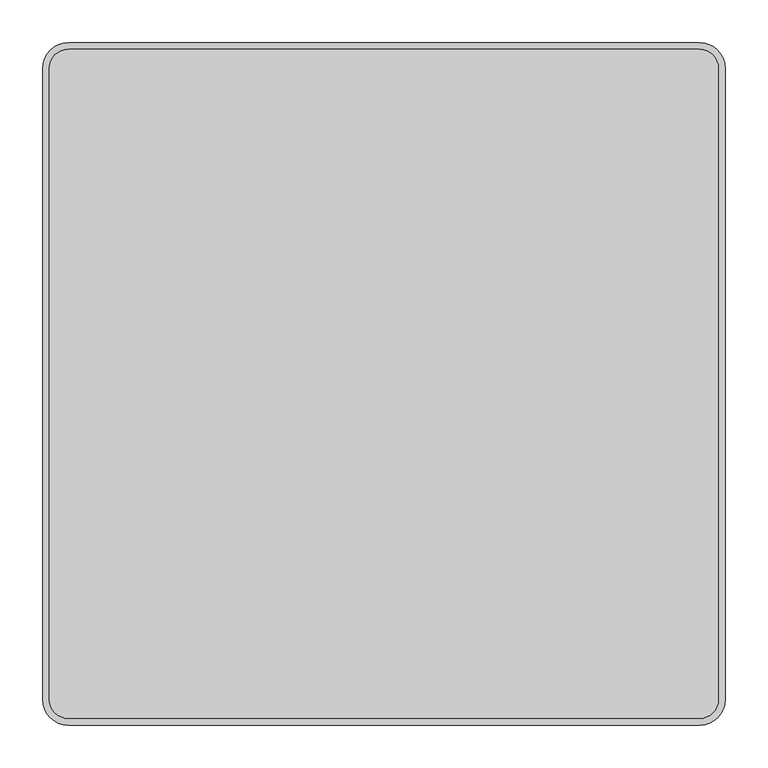
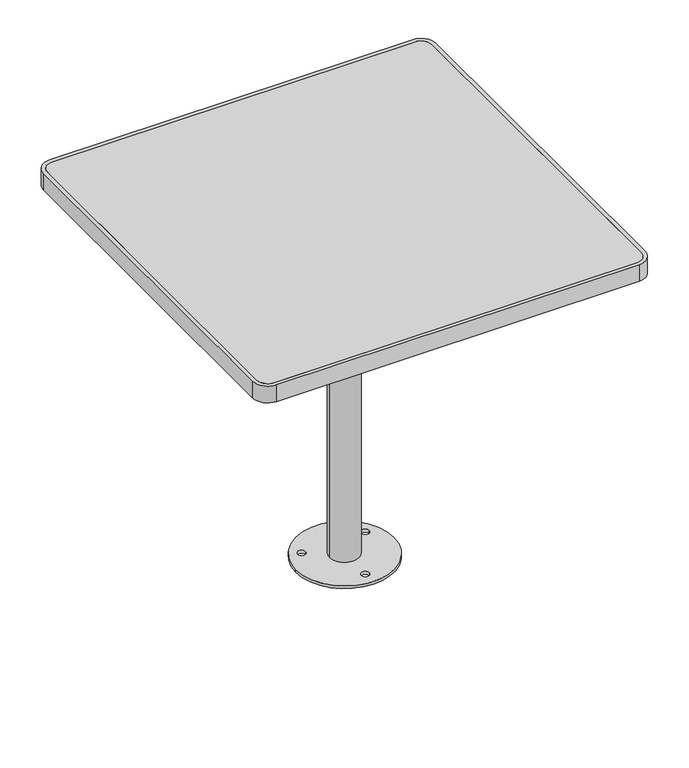
"""IFC4 building model written with IfcOpenShell, lengths in millimetres: furniture geometry."""

from ifc_helpers import new_model, si_unit, point, frame, frame_2d, origin, origin_with_axes, place, context, project, spatial, polyline, circle_curve, trimmed, segment, composite_curve, outline, extrude, source, transform, mapped, element, save


def furniture_65571705(model_context):
    return source(origin(), model_context, "Body", "SweptSolid", [
        extrude(outline(composite_curve([segment(trimmed(circle_curve(frame_2d((0.0794368, -1.903781)), 100.0), [point((-99.9205632, -1.903781))], [point((100.0794368, -1.903781))], False, "CARTESIAN"), True, "CONTINUOUS"), segment(trimmed(circle_curve(frame_2d((0.0794368, -1.903781)), 100.0), [point((100.0794368, -1.903781))], [point((-99.9205632, -1.903781))], False, "CARTESIAN"), True, "CONTINUOUS")], self_intersect=False), holes=[composite_curve([segment(trimmed(circle_curve(frame_2d((-65.4754407, 37.568682)), 8.0), [point((-73.4754407, 37.568682))], [point((-57.4754407, 37.568682))], True, "CARTESIAN"), True, "CONTINUOUS"), segment(trimmed(circle_curve(frame_2d((-65.4754407, 37.568682)), 8.0), [point((-57.4754407, 37.568682))], [point((-73.4754407, 37.568682))], True, "CARTESIAN"), True, "CONTINUOUS")], self_intersect=False), composite_curve([segment(trimmed(circle_curve(frame_2d((64.342408, 37.417611)), 8.0), [point((72.342408, 37.417611))], [point((56.342408, 37.417611))], True, "CARTESIAN"), True, "CONTINUOUS"), segment(trimmed(circle_curve(frame_2d((64.342408, 37.417611)), 8.0), [point((56.342408, 37.417611))], [point((72.342408, 37.417611))], True, "CARTESIAN"), True, "CONTINUOUS")], self_intersect=False), composite_curve([segment(trimmed(circle_curve(frame_2d((-0.6630478, -74.9655807)), 8.0), [point((-8.6630478, -74.9655807))], [point((7.3369522, -74.9655807))], True, "CARTESIAN"), True, "CONTINUOUS"), segment(trimmed(circle_curve(frame_2d((-0.6630478, -74.9655807)), 8.0), [point((7.3369522, -74.9655807))], [point((-8.6630478, -74.9655807))], True, "CARTESIAN"), True, "CONTINUOUS")], self_intersect=False)]), origin_with_axes(), (0.0, 0.0, 1.0), 6.0),
        extrude(outline(composite_curve([segment(trimmed(circle_curve(frame_2d((-370.0, 370.0)), 22.0), [point((-392.0, 370.0))], [point((-370.0, 392.0))], False, "CARTESIAN"), True, "CONTINUOUS"), segment(polyline([(-370.0, 392.0), (370.0, 392.0)]), True, "CONTINUOUS"), segment(trimmed(circle_curve(frame_2d((370.0, 370.0)), 22.0), [point((370.0, 392.0))], [point((392.0, 370.0))], False, "CARTESIAN"), True, "CONTINUOUS"), segment(polyline([(392.0, 370.0), (392.0, -370.0)]), True, "CONTINUOUS"), segment(trimmed(circle_curve(frame_2d((370.0, -370.0)), 22.0), [point((392.0, -370.0))], [point((370.0, -392.0))], False, "CARTESIAN"), True, "CONTINUOUS"), segment(polyline([(370.0, -392.0), (-370.0, -392.0)]), True, "CONTINUOUS"), segment(trimmed(circle_curve(frame_2d((-370.0, -370.0)), 22.0), [point((-370.0, -392.0))], [point((-392.0, -370.0))], False, "CARTESIAN"), True, "CONTINUOUS"), segment(polyline([(-392.0, -370.0), (-392.0, 370.0)]), True, "CONTINUOUS")], self_intersect=False)), frame((0.0, 0.0, 737.0), z_axis=(0.0, 0.0, 1.0), x_axis=(1.0, 0.0, 0.0)), (0.0, 0.0, 1.0), 3.0),
        extrude(outline(composite_curve([segment(polyline([(-392.0, 55.0), (392.0, 55.0), (392.0, 15.0), (368.0, 15.0)]), True, "CONTINUOUS"), segment(trimmed(circle_curve(frame_2d((368.0, 9.0)), 6.0), [point((368.0, 15.0))], [point((362.0, 9.0))], True, "CARTESIAN"), True, "CONTINUOUS"), segment(polyline([(362.0, 9.0), (362.0, -9.0)]), True, "CONTINUOUS"), segment(trimmed(circle_curve(frame_2d((368.0, -9.0)), 6.0), [point((362.0, -9.0))], [point((368.0, -15.0))], True, "CARTESIAN"), True, "CONTINUOUS"), segment(polyline([(368.0, -15.0), (392.0, -15.0), (392.0, -55.0), (-392.0, -55.0), (-392.0, -15.0), (-368.0, -15.0)]), True, "CONTINUOUS"), segment(trimmed(circle_curve(frame_2d((-368.0, -9.0)), 6.0), [point((-368.0, -15.0))], [point((-362.0, -9.0))], True, "CARTESIAN"), True, "CONTINUOUS"), segment(polyline([(-362.0, -9.0), (-362.0, 9.0)]), True, "CONTINUOUS"), segment(trimmed(circle_curve(frame_2d((-368.0, 9.0)), 6.0), [point((-362.0, 9.0))], [point((-368.0, 15.0))], True, "CARTESIAN"), True, "CONTINUOUS"), segment(polyline([(-368.0, 15.0), (-392.0, 15.0), (-392.0, 55.0)]), True, "CONTINUOUS")], self_intersect=False)), frame((0.0, 0.0, 712.0), z_axis=(0.0, 0.0, 1.0), x_axis=(1.0, 0.0, 0.0)), (0.0, 0.0, 1.0), 8.0),
        extrude(outline(composite_curve([segment(polyline([(-400.0, -370.0), (-400.0, 370.0)]), True, "CONTINUOUS"), segment(trimmed(circle_curve(frame_2d((-370.0, 370.0)), 30.0), [point((-400.0, 370.0))], [point((-370.0, 400.0))], False, "CARTESIAN"), True, "CONTINUOUS"), segment(polyline([(-370.0, 400.0), (370.0, 400.0)]), True, "CONTINUOUS"), segment(trimmed(circle_curve(frame_2d((370.0, 370.0)), 30.0), [point((370.0, 400.0))], [point((400.0, 370.0))], False, "CARTESIAN"), True, "CONTINUOUS"), segment(polyline([(400.0, 370.0), (400.0, -370.0)]), True, "CONTINUOUS"), segment(trimmed(circle_curve(frame_2d((370.0, -370.0)), 30.0), [point((400.0, -370.0))], [point((370.0, -400.0))], False, "CARTESIAN"), True, "CONTINUOUS"), segment(polyline([(370.0, -400.0), (-370.0, -400.0)]), True, "CONTINUOUS"), segment(trimmed(circle_curve(frame_2d((-370.0, -370.0)), 30.0), [point((-370.0, -400.0))], [point((-400.0, -370.0))], False, "CARTESIAN"), True, "CONTINUOUS")], self_intersect=False), holes=[composite_curve([segment(polyline([(-392.0, 370.0), (-392.0, -370.0)]), True, "CONTINUOUS"), segment(trimmed(circle_curve(frame_2d((-370.0, -370.0)), 22.0), [point((-392.0, -370.0))], [point((-370.0, -392.0))], True, "CARTESIAN"), True, "CONTINUOUS"), segment(polyline([(-370.0, -392.0), (370.0, -392.0)]), True, "CONTINUOUS"), segment(trimmed(circle_curve(frame_2d((370.0, -370.0)), 22.0), [point((370.0, -392.0))], [point((392.0, -370.0))], True, "CARTESIAN"), True, "CONTINUOUS"), segment(polyline([(392.0, -370.0), (392.0, 370.0)]), True, "CONTINUOUS"), segment(trimmed(circle_curve(frame_2d((370.0, 370.0)), 22.0), [point((392.0, 370.0))], [point((370.0, 392.0))], True, "CARTESIAN"), True, "CONTINUOUS"), segment(polyline([(370.0, 392.0), (-370.0, 392.0)]), True, "CONTINUOUS"), segment(trimmed(circle_curve(frame_2d((-370.0, 370.0)), 22.0), [point((-370.0, 392.0))], [point((-392.0, 370.0))], True, "CARTESIAN"), True, "CONTINUOUS")], self_intersect=False)]), frame((0.0, 0.0, 704.0), z_axis=(0.0, 0.0, 1.0), x_axis=(1.0, 0.0, 0.0)), (0.0, 0.0, 1.0), 36.0),
        extrude(outline(composite_curve([segment(trimmed(circle_curve(frame_2d((0.0, -0.0376502)), 30.0), [point((-30.0, -0.0376502))], [point((30.0, -0.0376502))], False, "CARTESIAN"), True, "CONTINUOUS"), segment(trimmed(circle_curve(frame_2d((0.0, -0.0376502)), 30.0), [point((30.0, -0.0376502))], [point((-30.0, -0.0376502))], False, "CARTESIAN"), True, "CONTINUOUS")], self_intersect=False)), frame((0.0, 0.0, 6.0), z_axis=(0.0, 0.0, 1.0), x_axis=(1.0, 0.0, 0.0)), (0.0, 0.0, 1.0), 706.0),
    ])


if __name__ == "__main__":
    model = new_model("IFC4")
    model_context = context("Model", 3, world=origin())
    ifc_project = project(units=[si_unit("LENGTHUNIT", "METRE", prefix="MILLI")], contexts=[model_context])
    site = spatial("IfcSite", under=ifc_project)
    building = spatial("IfcBuilding", under=site)
    placement = place(None, origin())
    furniture_shape = furniture_65571705(model_context)
    element("IfcFurniture", 1, at=placement, inside=building, context=model_context, shape_type="MappedRepresentation", body=[
        mapped(furniture_shape, transform((0.0, 0.0, 0.0), x_axis=(1.0, 0.0, 0.0), y_axis=(0.0, 1.0, 0.0), z_axis=(0.0, 0.0, 1.0))),
    ])
    save(model, "model.ifc")
